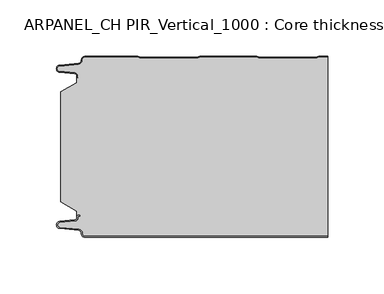
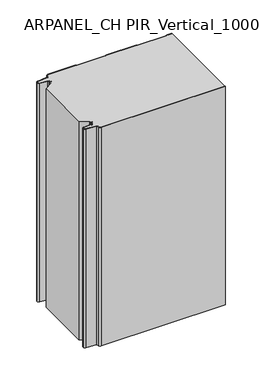
"""IFC4 building model written with IfcOpenShell, lengths in millimetres: plate geometry, ARPANEL_CH PIR_Vertical_1000 : Core thickness - 160 mm."""

from ifc_helpers import new_model, si_unit, frame, origin, place, context, project, spatial, polyline, circle_curve, source, transform, mapped, element, save
from ifc_brep_helpers import plane_surface, cylinder_surface, revolved_surface, advanced_brep


def arpanel_ch_pir_vertical_1000_core_thickness_160_mm_c2608eca(model_context):
    return source(origin(), model_context, "Body", "AdvancedBrep", [
        advanced_brep(
        [(-94.8000003, -159.9996949, 0.0), (-97.9923632, -156.5787437, 0.0), (-100.2560431, -153.9171154, 0.0), (-117.2115315, -152.2546153, 0.0), (-119.9999998, -149.1776715, 0.0), (-117.2115315, -146.1007278, 0.0), (-103.6195785, -144.7680252, 0.0), (-101.9952277, -142.9766159, 0.0), (-101.9952277, -141.8996949, 0.0), (-100.5952277, -140.4996949, 0.0), (-99.4952277, -140.4996949, 0.0), (-99.4952277, -141.2996949, 0.0), (-100.5952277, -141.2996949, 0.0), (-101.1952277, -141.8996949, 0.0), (-101.1952277, -142.9766159, 0.0), (-103.5415122, -145.5642071, 0.0), (-117.1334652, -146.8969097, 0.0), (-119.1999997, -149.1776715, 0.0), (-117.1334652, -151.4584333, 0.0), (-100.1779767, -153.1209335, 0.0), (-97.2078761, -156.6330399, 0.0), (-94.8000003, -159.1996949, 0.0), (119.9999998, -159.2, 0.0), (119.9999998, -159.9996949, 0.0), (-94.8000003, -159.1996949, 400.0), (-97.1942724, -156.6339815, 400.0), (-100.1779767, -153.1209335, 400.0), (-117.1334652, -151.4584333, 400.0), (-119.1999997, -149.1776715, 400.0), (-117.1334652, -146.8969097, 400.0), (-103.5415122, -145.5642071, 400.0), (-101.1952277, -142.9766159, 400.0), (-101.1952277, -141.8996949, 400.0), (-100.5952277, -141.2996949, 400.0), (-99.4952277, -141.2996949, 400.0), (-99.4952277, -140.4996949, 400.0), (-100.5952277, -140.4996949, 400.0), (-101.9952277, -141.8996949, 400.0), (-101.9952277, -142.9766159, 400.0), (-103.6195785, -144.7680252, 400.0), (-117.2115315, -146.1007278, 400.0), (-119.9999998, -149.1776715, 400.0), (-117.2115315, -152.2546153, 400.0), (-100.2560431, -153.9171154, 400.0), (-98.0059668, -156.5778021, 400.0), (-94.8000003, -159.9996949, 400.0), (119.9999998, -159.9996949, 400.0), (119.9999998, -159.2, 400.0)],
        [
            (0, 1, circle_curve(frame((-94.8000003, -156.7996949, 0.0), z_axis=(0.0, 0.0, -1.0), x_axis=(1.0, 0.0, 0.0)), 3.2)),
            (1, 2, circle_curve(frame((-100.5000003, -156.4051839, 0.0), z_axis=(0.0, 0.0, 1.0), x_axis=(1.0, 0.0, 0.0)), 2.5)),
            (2, 3),
            (3, 4, circle_curve(frame((-116.9100003, -149.1793626, 0.0), z_axis=(0.0, 0.0, -1.0), x_axis=(1.0, 0.0, 0.0)), 3.09)),
            (4, 5, circle_curve(frame((-116.9100003, -149.1759805, 0.0), z_axis=(0.0, 0.0, -1.0), x_axis=(1.0, 0.0, 0.0)), 3.09)),
            (5, 6),
            (6, 7, circle_curve(frame((-103.7952277, -142.9766159, 0.0), z_axis=(0.0, 0.0, 1.0), x_axis=(1.0, 0.0, 0.0)), 1.8)),
            (7, 8),
            (8, 9, circle_curve(frame((-100.5952277, -141.8996949, 0.0), z_axis=(0.0, 0.0, -1.0), x_axis=(1.0, 0.0, 0.0)), 1.4)),
            (9, 10),
            (10, 11),
            (11, 12),
            (12, 13, circle_curve(frame((-100.5952277, -141.8996949, 0.0), z_axis=(0.0, 0.0, 1.0), x_axis=(1.0, 0.0, 0.0)), 0.6)),
            (13, 14),
            (14, 15, circle_curve(frame((-103.7952277, -142.9766159, 0.0), z_axis=(0.0, 0.0, -1.0), x_axis=(1.0, 0.0, 0.0)), 2.6)),
            (15, 16),
            (16, 17, circle_curve(frame((-116.9100003, -149.1759805, 0.0), z_axis=(0.0, 0.0, 1.0), x_axis=(1.0, 0.0, 0.0)), 2.29)),
            (17, 18, circle_curve(frame((-116.9100003, -149.1793626, 0.0), z_axis=(0.0, 0.0, 1.0), x_axis=(1.0, 0.0, 0.0)), 2.29)),
            (18, 19),
            (19, 20, circle_curve(frame((-100.5000003, -156.4051839, 0.0), z_axis=(0.0, 0.0, -1.0), x_axis=(1.0, 0.0, 0.0)), 3.3)),
            (20, 21, circle_curve(frame((-94.8000003, -156.7996949, 0.0), z_axis=(0.0, 0.0, 1.0), x_axis=(1.0, 0.0, 0.0)), 2.4)),
            (21, 22),
            (22, 23),
            (23, 0),
            (24, 25, circle_curve(frame((-94.8000003, -156.7996949, 400.0), z_axis=(0.0, 0.0, -1.0), x_axis=(1.0, 0.0, 0.0)), 2.4)),
            (25, 26, circle_curve(frame((-100.5000003, -156.4051839, 400.0), z_axis=(0.0, 0.0, 1.0), x_axis=(1.0, 0.0, 0.0)), 3.3)),
            (26, 27),
            (27, 28, circle_curve(frame((-116.9100003, -149.1793626, 400.0), z_axis=(0.0, 0.0, -1.0), x_axis=(1.0, 0.0, 0.0)), 2.29)),
            (28, 29, circle_curve(frame((-116.9100003, -149.1759805, 400.0), z_axis=(0.0, 0.0, -1.0), x_axis=(1.0, 0.0, 0.0)), 2.29)),
            (29, 30),
            (30, 31, circle_curve(frame((-103.7952277, -142.9766159, 400.0), z_axis=(0.0, 0.0, 1.0), x_axis=(1.0, 0.0, 0.0)), 2.6)),
            (31, 32),
            (32, 33, circle_curve(frame((-100.5952277, -141.8996949, 400.0), z_axis=(0.0, 0.0, -1.0), x_axis=(1.0, 0.0, 0.0)), 0.6)),
            (33, 34),
            (34, 35),
            (35, 36),
            (36, 37, circle_curve(frame((-100.5952277, -141.8996949, 400.0), z_axis=(0.0, 0.0, 1.0), x_axis=(1.0, 0.0, 0.0)), 1.4)),
            (37, 38),
            (38, 39, circle_curve(frame((-103.7952277, -142.9766159, 400.0), z_axis=(0.0, 0.0, -1.0), x_axis=(1.0, 0.0, 0.0)), 1.8)),
            (39, 40),
            (40, 41, circle_curve(frame((-116.9100003, -149.1759805, 400.0), z_axis=(0.0, 0.0, 1.0), x_axis=(1.0, 0.0, 0.0)), 3.09)),
            (41, 42, circle_curve(frame((-116.9100003, -149.1793626, 400.0), z_axis=(0.0, 0.0, 1.0), x_axis=(1.0, 0.0, 0.0)), 3.09)),
            (42, 43),
            (43, 44, circle_curve(frame((-100.5000003, -156.4051839, 400.0), z_axis=(0.0, 0.0, -1.0), x_axis=(1.0, 0.0, 0.0)), 2.5)),
            (44, 45, circle_curve(frame((-94.8000003, -156.7996949, 400.0), z_axis=(0.0, 0.0, 1.0), x_axis=(1.0, 0.0, 0.0)), 3.2)),
            (45, 46),
            (46, 47),
            (47, 24),
            (21, 24),
            (47, 22),
            (20, 25),
            (19, 26),
            (18, 27),
            (17, 28),
            (16, 29),
            (15, 30),
            (14, 31),
            (13, 32),
            (12, 33),
            (11, 34),
            (10, 35),
            (9, 36),
            (8, 37),
            (7, 38),
            (6, 39),
            (5, 40),
            (4, 41),
            (3, 42),
            (2, 43),
            (1, 44),
            (0, 45),
            (23, 46),
        ],
        [
            plane_surface(frame((-119.9999998, -160.0, 0.0), z_axis=(0.0, 0.0, -1.0), x_axis=(0.0, 1.0, 0.0))),
            plane_surface(frame((-119.9999998, -160.0, 400.0), z_axis=(0.0, 0.0, 1.0), x_axis=(0.0, 1.0, 0.0))),
            plane_surface(frame((-94.8000003, -159.2, 0.0), z_axis=(0.0, 1.0, 0.0), x_axis=(0.0, 0.0, 1.0))),
            revolved_surface(polyline([(-92.40000029999999, -156.7996949, 400.0), (-92.40000029999999, -156.7996949, 0.0)]), (-94.8000003, -156.7996949, 0.0), (0.0, 0.0, 1.0)),
            cylinder_surface(frame((-100.5000003, -156.4051839, 0.0), z_axis=(0.0, 0.0, -1.0), x_axis=(1.0, 0.0, 0.0)), 3.3),
            plane_surface(frame((-117.1334652, -151.4584333, 0.0), z_axis=(0.09758289975914758, 0.9952273999818314, 0.0), x_axis=(0.0, 0.0, 1.0))),
            revolved_surface(polyline([(-114.62000029999999, -149.1793626, 400.0), (-114.62000029999999, -149.1793626, 0.0)]), (-116.9100003, -149.1793626, 0.0), (0.0, 0.0, 1.0)),
            revolved_surface(polyline([(-114.62000029999999, -149.1759805, 400.0), (-114.62000029999999, -149.1759805, 0.0)]), (-116.9100003, -149.1759805, 0.0), (0.0, 0.0, 1.0)),
            plane_surface(frame((-103.5415122, -145.5642071, 0.0), z_axis=(0.09758289975914383, -0.9952273999818317, 0.0), x_axis=(0.0, 0.0, 1.0))),
            cylinder_surface(frame((-103.7952277, -142.9766159, 0.0), z_axis=(0.0, 0.0, -1.0), x_axis=(1.0, 0.0, 0.0)), 2.6),
            plane_surface(frame((-101.1952277, -141.8996949, 0.0), z_axis=(1.0, 0.0, 0.0), x_axis=(0.0, 0.0, 1.0))),
            revolved_surface(polyline([(-99.9952277, -141.8996949, 400.0), (-99.9952277, -141.8996949, 0.0)]), (-100.5952277, -141.8996949, 0.0), (0.0, 0.0, 1.0)),
            plane_surface(frame((-99.4952277, -141.2996949, 0.0), z_axis=(0.0, -1.0, 0.0), x_axis=(0.0, 0.0, 1.0))),
            plane_surface(frame((-99.4952277, -140.4996949, 0.0), z_axis=(1.0, 0.0, 0.0), x_axis=(0.0, 0.0, 1.0))),
            plane_surface(frame((-100.5952277, -140.4996949, 0.0), z_axis=(0.0, 1.0, 0.0), x_axis=(0.0, 0.0, 1.0))),
            cylinder_surface(frame((-100.5952277, -141.8996949, 0.0), z_axis=(0.0, 0.0, -1.0), x_axis=(1.0, 0.0, 0.0)), 1.4),
            plane_surface(frame((-101.9952277, -142.9766159, 0.0), z_axis=(-1.0, 0.0, 0.0), x_axis=(0.0, 0.0, 1.0))),
            revolved_surface(polyline([(-101.9952277, -142.9766159, 400.0), (-101.9952277, -142.9766159, 0.0)]), (-103.7952277, -142.9766159, 0.0), (0.0, 0.0, 1.0)),
            plane_surface(frame((-117.2115315, -146.1007278, 0.0), z_axis=(-0.09758289975914387, 0.9952273999818317, 0.0), x_axis=(0.0, 0.0, 1.0))),
            cylinder_surface(frame((-116.9100003, -149.1759805, 0.0), z_axis=(0.0, 0.0, -1.0), x_axis=(1.0, 0.0, 0.0)), 3.09),
            cylinder_surface(frame((-116.9100003, -149.1793626, 0.0), z_axis=(0.0, 0.0, -1.0), x_axis=(1.0, 0.0, 0.0)), 3.09),
            plane_surface(frame((-100.2560431, -153.9171154, 0.0), z_axis=(-0.09758289975914762, -0.9952273999818314, 0.0), x_axis=(0.0, 0.0, 1.0))),
            revolved_surface(polyline([(-98.0000003, -156.4051839, 400.0), (-98.0000003, -156.4051839, 0.0)]), (-100.5000003, -156.4051839, 0.0), (0.0, 0.0, 1.0)),
            cylinder_surface(frame((-94.8000003, -156.7996949, 0.0), z_axis=(0.0, 0.0, -1.0), x_axis=(1.0, 0.0, 0.0)), 3.2),
            plane_surface(frame((896.009932, -159.9996949, 0.0), z_axis=(0.0, -1.0, 0.0), x_axis=(0.0, 0.0, 1.0))),
            plane_surface(frame((119.9999998, 180.0, 400.0), z_axis=(1.0, 0.0, 0.0), x_axis=(0.0, 0.0, -1.0))),
        ],
        [
            (0, [[1, 2, 3, 4, 5, 6, 7, 8, 9, 10, 11, 12, 13, 14, 15, 16, 17, 18, 19, 20, 21, 22, 23, 24]]),
            (1, [[25, 26, 27, 28, 29, 30, 31, 32, 33, 34, 35, 36, 37, 38, 39, 40, 41, 42, 43, 44, 45, 46, 47, 48]]),
            (2, [[49, -48, 50, -22]]),
            (3, [[-21, 51, -25, -49]]),
            (4, [[-20, 52, -26, -51]]),
            (5, [[-19, 53, -27, -52]]),
            (6, [[-18, 54, -28, -53]]),
            (7, [[-17, 55, -29, -54]]),
            (8, [[-16, 56, -30, -55]]),
            (9, [[-15, 57, -31, -56]]),
            (10, [[-14, 58, -32, -57]]),
            (11, [[-13, 59, -33, -58]]),
            (12, [[-12, 60, -34, -59]]),
            (13, [[-11, 61, -35, -60]]),
            (14, [[-10, 62, -36, -61]]),
            (15, [[-9, 63, -37, -62]]),
            (16, [[-8, 64, -38, -63]]),
            (17, [[-7, 65, -39, -64]]),
            (18, [[-6, 66, -40, -65]]),
            (19, [[-5, 67, -41, -66]]),
            (20, [[-4, 68, -42, -67]]),
            (21, [[-3, 69, -43, -68]]),
            (22, [[-2, 70, -44, -69]]),
            (23, [[-1, 71, -45, -70]]),
            (24, [[-71, -24, 72, -46]]),
            (25, [[-23, -50, -47, -72]]),
        ],
    ),
        advanced_brep(
        [(-101.9952277, -23.1062917, 400.0), (-116.0446509, -31.1628062, 400.0), (-116.0446509, -128.7531937, 400.0), (-101.9952277, -136.8937083, 400.0), (-101.9952277, -140.4996949, 400.0), (-101.9952277, -141.8996949, 400.0), (-100.5952277, -140.4996949, 400.0), (-99.4952277, -140.4996949, 400.0), (-99.4952277, -141.2996949, 400.0), (-100.5952277, -141.2996949, 400.0), (-101.1952277, -141.8996949, 400.0), (-101.1952277, -142.9766159, 400.0), (-103.5415122, -145.5642071, 400.0), (-117.1334652, -146.8969097, 400.0), (-119.1999997, -149.1776715, 400.0), (-117.1334652, -151.4584333, 400.0), (-100.1779767, -153.1209335, 400.0), (-97.2078761, -156.6330399, 400.0), (-94.8000003, -159.1996949, 400.0), (119.9999998, -159.2, 400.0), (119.9999998, -0.8, 400.0), (112.3119565, -0.8, 400.0), (111.2605406, -1.0986697, 400.0), (109.8401597, -1.5003051, 400.0), (59.6803765, -1.5003051, 400.0), (58.2609651, -1.0971009, 400.0), (57.2085797, -0.8, 400.0), (7.0487965, -0.8, 400.0), (5.9973806, -1.0986697, 400.0), (4.5769997, -1.5003051, 400.0), (-45.5827835, -1.5003051, 400.0), (-47.0021949, -1.0971009, 400.0), (-48.0545803, -0.8, 400.0), (-94.8000003, -0.8, 400.0), (-97.1942724, -3.3660185, 400.0), (-100.1779767, -6.8790665, 400.0), (-117.1334652, -8.5415667, 400.0), (-119.1999997, -10.8223285, 400.0), (-117.1334652, -13.1030903, 400.0), (-103.5415122, -14.4357929, 400.0), (-101.1952277, -17.0233841, 400.0), (-101.1952277, -18.1003051, 400.0), (-100.5952277, -18.7003051, 400.0), (-99.4952277, -18.7003051, 400.0), (-99.4952277, -19.5003051, 400.0), (-100.5952277, -19.5003051, 400.0), (-101.9952277, -18.1003051, 400.0), (-101.9952277, -19.5003051, 400.0), (-101.9952277, -136.8937083, 0.0), (-116.0446509, -128.7531937, 0.0), (-116.0446509, -31.1628062, 0.0), (-101.9952277, -23.1062917, 0.0), (-101.9952277, -19.5003051, 0.0), (-101.9952277, -18.1003051, 0.0), (-100.5952277, -19.5003051, 0.0), (-99.4952277, -19.5003051, 0.0), (-99.4952277, -18.7003051, 0.0), (-100.5952277, -18.7003051, 0.0), (-101.1952277, -18.1003051, 0.0), (-101.1952277, -17.0233841, 0.0), (-103.5415122, -14.4357929, 0.0), (-117.1334652, -13.1030903, 0.0), (-119.1999997, -10.8223285, 0.0), (-117.1334652, -8.5415667, 0.0), (-100.1779767, -6.8790665, 0.0), (-97.2078761, -3.3669601, 0.0), (-94.8000003, -0.8003051, 0.0), (-48.0545803, -0.8, 0.0), (-47.0031645, -1.0986697, 0.0), (-45.5827835, -1.5003051, 0.0), (4.5769997, -1.5003051, 0.0), (5.9964111, -1.0971009, 0.0), (7.0487965, -0.8, 0.0), (57.2085797, -0.8, 0.0), (58.2599955, -1.0986697, 0.0), (59.6803765, -1.5003051, 0.0), (109.8401597, -1.5003051, 0.0), (111.2595711, -1.0971009, 0.0), (112.3119565, -0.8, 0.0), (119.9999998, -0.8, 0.0), (119.9999998, -159.2, 0.0), (-94.8000003, -159.2, 0.0), (-97.1942724, -156.6339815, 0.0), (-100.1779767, -153.1209335, 0.0), (-117.1334652, -151.4584333, 0.0), (-119.1999997, -149.1776715, 0.0), (-117.1334652, -146.8969097, 0.0), (-103.5415122, -145.5642071, 0.0), (-101.1952277, -142.9766159, 0.0), (-101.1952277, -141.8996949, 0.0), (-100.5952277, -141.2996949, 0.0), (-99.4952277, -141.2996949, 0.0), (-99.4952277, -140.4996949, 0.0), (-100.5952277, -140.4996949, 0.0), (-101.9952277, -141.8996949, 0.0), (-101.9952277, -140.4996949, 0.0)],
        [
            (0, 1),
            (1, 2),
            (2, 3),
            (3, 4),
            (4, 5),
            (5, 6, circle_curve(frame((-100.5952277, -141.8996949, 400.0), z_axis=(0.0, 0.0, -1.0), x_axis=(1.0, 0.0, 0.0)), 1.4)),
            (6, 7),
            (7, 8),
            (8, 9),
            (9, 10, circle_curve(frame((-100.5952277, -141.8996949, 400.0), z_axis=(0.0, 0.0, 1.0), x_axis=(1.0, 0.0, 0.0)), 0.6)),
            (10, 11),
            (11, 12, circle_curve(frame((-103.7952277, -142.9766159, 400.0), z_axis=(0.0, 0.0, -1.0), x_axis=(1.0, 0.0, 0.0)), 2.6)),
            (12, 13),
            (13, 14, circle_curve(frame((-116.9100003, -149.1759805, 400.0), z_axis=(0.0, 0.0, 1.0), x_axis=(1.0, 0.0, 0.0)), 2.29)),
            (14, 15, circle_curve(frame((-116.9100003, -149.1793626, 400.0), z_axis=(0.0, 0.0, 1.0), x_axis=(1.0, 0.0, 0.0)), 2.29)),
            (15, 16),
            (16, 17, circle_curve(frame((-100.5000003, -156.4051839, 400.0), z_axis=(0.0, 0.0, -1.0), x_axis=(1.0, 0.0, 0.0)), 3.3)),
            (17, 18, circle_curve(frame((-94.8000003, -156.7996949, 400.0), z_axis=(0.0, 0.0, 1.0), x_axis=(1.0, 0.0, 0.0)), 2.4)),
            (18, 19),
            (19, 20),
            (20, 21),
            (21, 22, circle_curve(frame((112.3119565, -2.8, 400.0), z_axis=(0.0, 0.0, 1.0), x_axis=(1.0, 0.0, 0.0)), 2.0)),
            (22, 23, circle_curve(frame((109.8401597, 1.1996949, 400.0), z_axis=(0.0, 0.0, -1.0), x_axis=(1.0, 0.0, 0.0)), 2.7)),
            (23, 24),
            (24, 25, circle_curve(frame((59.6803765, 1.1996949, 400.0), z_axis=(0.0, 0.0, -1.0), x_axis=(1.0, 0.0, 0.0)), 2.7)),
            (25, 26, circle_curve(frame((57.2085797, -2.8, 400.0), z_axis=(0.0, 0.0, 1.0), x_axis=(1.0, 0.0, 0.0)), 2.0)),
            (26, 27),
            (27, 28, circle_curve(frame((7.0487965, -2.8, 400.0), z_axis=(0.0, 0.0, 1.0), x_axis=(1.0, 0.0, 0.0)), 2.0)),
            (28, 29, circle_curve(frame((4.5769997, 1.1996949, 400.0), z_axis=(0.0, 0.0, -1.0), x_axis=(1.0, 0.0, 0.0)), 2.7)),
            (29, 30),
            (30, 31, circle_curve(frame((-45.5827835, 1.1996949, 400.0), z_axis=(0.0, 0.0, -1.0), x_axis=(1.0, 0.0, 0.0)), 2.7)),
            (31, 32, circle_curve(frame((-48.0545803, -2.8, 400.0), z_axis=(0.0, 0.0, 1.0), x_axis=(1.0, 0.0, 0.0)), 2.0)),
            (32, 33),
            (33, 34, circle_curve(frame((-94.8000003, -3.2003051, 400.0), z_axis=(0.0, 0.0, 1.0), x_axis=(1.0, 0.0, 0.0)), 2.4)),
            (34, 35, circle_curve(frame((-100.5000003, -3.5948161, 400.0), z_axis=(0.0, 0.0, -1.0), x_axis=(1.0, 0.0, 0.0)), 3.3)),
            (35, 36),
            (36, 37, circle_curve(frame((-116.9100003, -10.8206374, 400.0), z_axis=(0.0, 0.0, 1.0), x_axis=(1.0, 0.0, 0.0)), 2.29)),
            (37, 38, circle_curve(frame((-116.9100003, -10.8240195, 400.0), z_axis=(0.0, 0.0, 1.0), x_axis=(1.0, 0.0, 0.0)), 2.29)),
            (38, 39),
            (39, 40, circle_curve(frame((-103.7952277, -17.0233841, 400.0), z_axis=(0.0, 0.0, -1.0), x_axis=(1.0, 0.0, 0.0)), 2.6)),
            (40, 41),
            (41, 42, circle_curve(frame((-100.5952277, -18.1003051, 400.0), z_axis=(0.0, 0.0, 1.0), x_axis=(1.0, 0.0, 0.0)), 0.6)),
            (42, 43),
            (43, 44),
            (44, 45),
            (45, 46, circle_curve(frame((-100.5952277, -18.1003051, 400.0), z_axis=(0.0, 0.0, -1.0), x_axis=(1.0, 0.0, 0.0)), 1.4)),
            (46, 47),
            (47, 0),
            (48, 49),
            (49, 50),
            (50, 51),
            (51, 52),
            (52, 53),
            (53, 54, circle_curve(frame((-100.5952277, -18.1003051, 0.0), z_axis=(0.0, 0.0, 1.0), x_axis=(1.0, 0.0, 0.0)), 1.4)),
            (54, 55),
            (55, 56),
            (56, 57),
            (57, 58, circle_curve(frame((-100.5952277, -18.1003051, 0.0), z_axis=(0.0, 0.0, -1.0), x_axis=(1.0, 0.0, 0.0)), 0.6)),
            (58, 59),
            (59, 60, circle_curve(frame((-103.7952277, -17.0233841, 0.0), z_axis=(0.0, 0.0, 1.0), x_axis=(1.0, 0.0, 0.0)), 2.6)),
            (60, 61),
            (61, 62, circle_curve(frame((-116.9100003, -10.8240195, 0.0), z_axis=(0.0, 0.0, -1.0), x_axis=(1.0, 0.0, 0.0)), 2.29)),
            (62, 63, circle_curve(frame((-116.9100003, -10.8206374, 0.0), z_axis=(0.0, 0.0, -1.0), x_axis=(1.0, 0.0, 0.0)), 2.29)),
            (63, 64),
            (64, 65, circle_curve(frame((-100.5000003, -3.5948161, 0.0), z_axis=(0.0, 0.0, 1.0), x_axis=(1.0, 0.0, 0.0)), 3.3)),
            (65, 66, circle_curve(frame((-94.8000003, -3.2003051, 0.0), z_axis=(0.0, 0.0, -1.0), x_axis=(1.0, 0.0, 0.0)), 2.4)),
            (66, 67),
            (67, 68, circle_curve(frame((-48.0545803, -2.8, 0.0), z_axis=(0.0, 0.0, -1.0), x_axis=(1.0, 0.0, 0.0)), 2.0)),
            (68, 69, circle_curve(frame((-45.5827835, 1.1996949, 0.0), z_axis=(0.0, 0.0, 1.0), x_axis=(1.0, 0.0, 0.0)), 2.7)),
            (69, 70),
            (70, 71, circle_curve(frame((4.5769997, 1.1996949, 0.0), z_axis=(0.0, 0.0, 1.0), x_axis=(1.0, 0.0, 0.0)), 2.7)),
            (71, 72, circle_curve(frame((7.0487965, -2.8, 0.0), z_axis=(0.0, 0.0, -1.0), x_axis=(1.0, 0.0, 0.0)), 2.0)),
            (72, 73),
            (73, 74, circle_curve(frame((57.2085797, -2.8, 0.0), z_axis=(0.0, 0.0, -1.0), x_axis=(1.0, 0.0, 0.0)), 2.0)),
            (74, 75, circle_curve(frame((59.6803765, 1.1996949, 0.0), z_axis=(0.0, 0.0, 1.0), x_axis=(1.0, 0.0, 0.0)), 2.7)),
            (75, 76),
            (76, 77, circle_curve(frame((109.8401597, 1.1996949, 0.0), z_axis=(0.0, 0.0, 1.0), x_axis=(1.0, 0.0, 0.0)), 2.7)),
            (77, 78, circle_curve(frame((112.3119565, -2.8, 0.0), z_axis=(0.0, 0.0, -1.0), x_axis=(1.0, 0.0, 0.0)), 2.0)),
            (78, 79),
            (79, 80),
            (80, 81),
            (81, 82, circle_curve(frame((-94.8000003, -156.7996949, 0.0), z_axis=(0.0, 0.0, -1.0), x_axis=(1.0, 0.0, 0.0)), 2.4)),
            (82, 83, circle_curve(frame((-100.5000003, -156.4051839, 0.0), z_axis=(0.0, 0.0, 1.0), x_axis=(1.0, 0.0, 0.0)), 3.3)),
            (83, 84),
            (84, 85, circle_curve(frame((-116.9100003, -149.1793626, 0.0), z_axis=(0.0, 0.0, -1.0), x_axis=(1.0, 0.0, 0.0)), 2.29)),
            (85, 86, circle_curve(frame((-116.9100003, -149.1759805, 0.0), z_axis=(0.0, 0.0, -1.0), x_axis=(1.0, 0.0, 0.0)), 2.29)),
            (86, 87),
            (87, 88, circle_curve(frame((-103.7952277, -142.9766159, 0.0), z_axis=(0.0, 0.0, 1.0), x_axis=(1.0, 0.0, 0.0)), 2.6)),
            (88, 89),
            (89, 90, circle_curve(frame((-100.5952277, -141.8996949, 0.0), z_axis=(0.0, 0.0, -1.0), x_axis=(1.0, 0.0, 0.0)), 0.6)),
            (90, 91),
            (91, 92),
            (92, 93),
            (93, 94, circle_curve(frame((-100.5952277, -141.8996949, 0.0), z_axis=(0.0, 0.0, 1.0), x_axis=(1.0, 0.0, 0.0)), 1.4)),
            (94, 95),
            (95, 48),
            (51, 0),
            (46, 53),
            (1, 50),
            (49, 2),
            (48, 3),
            (94, 5),
            (18, 81),
            (80, 19),
            (17, 82),
            (16, 83),
            (15, 84),
            (14, 85),
            (13, 86),
            (12, 87),
            (11, 88),
            (10, 89),
            (9, 90),
            (8, 91),
            (7, 92),
            (6, 93),
            (66, 33),
            (32, 67),
            (31, 68),
            (30, 69),
            (29, 70),
            (28, 71),
            (27, 72),
            (26, 73),
            (25, 74),
            (24, 75),
            (23, 76),
            (22, 77),
            (21, 78),
            (20, 79),
            (45, 54),
            (44, 55),
            (43, 56),
            (42, 57),
            (41, 58),
            (40, 59),
            (39, 60),
            (38, 61),
            (37, 62),
            (36, 63),
            (35, 64),
            (34, 65),
        ],
        [
            plane_surface(frame((-119.9999998, 0.0, 400.0), z_axis=(0.0, 0.0, 1.0), x_axis=(0.0, -1.0, 0.0))),
            plane_surface(frame((-119.9999998, 0.0, 0.0), z_axis=(0.0, 0.0, -1.0), x_axis=(0.0, -1.0, 0.0))),
            plane_surface(frame((-101.9952277, -17.0229218, 400.0), z_axis=(-1.0, 0.0, 0.0), x_axis=(0.0, 0.0, -1.0))),
            plane_surface(frame((-116.0446509, -31.1628062, 400.0), z_axis=(-1.0, 0.0, 0.0), x_axis=(0.0, 0.0, -1.0))),
            plane_surface(frame((-101.9952277, -23.1062917, 400.0), z_axis=(-0.4974543664933155, 0.8674901459133322, 0.0), x_axis=(0.0, 0.0, -1.0))),
            plane_surface(frame((-116.0446509, -128.7531937, 400.0), z_axis=(-0.5013424225369615, -0.8652489672717159, 0.0), x_axis=(0.0, 0.0, -1.0))),
            plane_surface(frame((-101.9952277, -136.8937083, 400.0), z_axis=(-1.0, 0.0, 0.0), x_axis=(0.0, 0.0, -1.0))),
            plane_surface(frame((896.009932, -159.2, 530.0), z_axis=(0.0, -1.0, 0.0), x_axis=(0.0, 0.0, -1.0))),
            cylinder_surface(frame((-94.8000003, -156.7996949, 530.0), z_axis=(0.0, 0.0, -1.0), x_axis=(1.0, 0.0, 0.0)), 2.4),
            revolved_surface(polyline([(-97.2000003, -156.4051839, 400.0), (-97.2000003, -156.4051839, 0.0)]), (-100.5000003, -156.4051839, 530.0), (0.0, 0.0, 1.0)),
            plane_surface(frame((-100.1779767, -153.1209335, 530.0), z_axis=(-0.09758289975914758, -0.9952273999818314, 0.0), x_axis=(0.0, 0.0, -1.0))),
            cylinder_surface(frame((-116.9100003, -149.1793626, 530.0), z_axis=(0.0, 0.0, -1.0), x_axis=(1.0, 0.0, 0.0)), 2.29),
            cylinder_surface(frame((-116.9100003, -149.1759805, 530.0), z_axis=(0.0, 0.0, -1.0), x_axis=(1.0, 0.0, 0.0)), 2.29),
            plane_surface(frame((-117.1334652, -146.8969097, 530.0), z_axis=(-0.09758289975914383, 0.9952273999818317, 0.0), x_axis=(0.0, 0.0, -1.0))),
            revolved_surface(polyline([(-101.1952277, -142.9766159, 400.0), (-101.1952277, -142.9766159, 0.0)]), (-103.7952277, -142.9766159, 530.0), (0.0, 0.0, 1.0)),
            plane_surface(frame((-101.1952277, -142.9766159, 530.0), z_axis=(-1.0, 0.0, 0.0), x_axis=(0.0, 0.0, -1.0))),
            cylinder_surface(frame((-100.5952277, -141.8996949, 530.0), z_axis=(0.0, 0.0, -1.0), x_axis=(1.0, 0.0, 0.0)), 0.6),
            plane_surface(frame((-100.5952277, -141.2996949, 530.0), z_axis=(0.0, 1.0, 0.0), x_axis=(0.0, 0.0, -1.0))),
            plane_surface(frame((-99.4952277, -141.2996949, 530.0), z_axis=(-1.0, 0.0, 0.0), x_axis=(0.0, 0.0, -1.0))),
            plane_surface(frame((-99.4952277, -140.4996949, 530.0), z_axis=(0.0, -1.0, 0.0), x_axis=(0.0, 0.0, -1.0))),
            revolved_surface(polyline([(-99.19522769999999, -141.8996949, 400.0), (-99.19522769999999, -141.8996949, 0.0)]), (-100.5952277, -141.8996949, 530.0), (0.0, 0.0, 1.0)),
            plane_surface(frame((-94.8000003, -0.8, 530.0), z_axis=(0.0, 1.0, 0.0), x_axis=(0.0, 0.0, -1.0))),
            cylinder_surface(frame((-48.0545803, -2.8, 530.0), z_axis=(0.0, 0.0, -1.0), x_axis=(1.0, 0.0, 0.0)), 2.0),
            revolved_surface(polyline([(-42.882783499999995, 1.1996949, 400.0), (-42.882783499999995, 1.1996949, 0.0)]), (-45.5827835, 1.1996949, 530.0), (0.0, 0.0, 1.0)),
            plane_surface(frame((-45.5827835, -1.5003051, 530.0), z_axis=(0.0, 1.0, 0.0), x_axis=(0.0, 0.0, -1.0))),
            revolved_surface(polyline([(7.2769997, 1.1996949, 400.0), (7.2769997, 1.1996949, 0.0)]), (4.5769997, 1.1996949, 530.0), (0.0, 0.0, 1.0)),
            cylinder_surface(frame((7.0487965, -2.8, 530.0), z_axis=(0.0, 0.0, -1.0), x_axis=(1.0, 0.0, 0.0)), 2.0),
            plane_surface(frame((7.0487965, -0.8, 530.0), z_axis=(0.0, 1.0, 0.0), x_axis=(0.0, 0.0, -1.0))),
            cylinder_surface(frame((57.2085797, -2.8, 530.0), z_axis=(0.0, 0.0, -1.0), x_axis=(1.0, 0.0, 0.0)), 2.0),
            revolved_surface(polyline([(62.380376500000004, 1.1996949, 400.0), (62.380376500000004, 1.1996949, 0.0)]), (59.6803765, 1.1996949, 530.0), (0.0, 0.0, 1.0)),
            plane_surface(frame((59.6803765, -1.5003051, 530.0), z_axis=(0.0, 1.0, 0.0), x_axis=(0.0, 0.0, -1.0))),
            revolved_surface(polyline([(112.5401597, 1.1996949, 400.0), (112.5401597, 1.1996949, 0.0)]), (109.8401597, 1.1996949, 530.0), (0.0, 0.0, 1.0)),
            cylinder_surface(frame((112.3119565, -2.8, 530.0), z_axis=(0.0, 0.0, -1.0), x_axis=(1.0, 0.0, 0.0)), 2.0),
            plane_surface(frame((112.3119565, -0.8, 530.0), z_axis=(0.0, 1.0, 0.0), x_axis=(0.0, 0.0, -1.0))),
            revolved_surface(polyline([(-99.19522769999999, -18.1003051, 400.0), (-99.19522769999999, -18.1003051, 0.0)]), (-100.5952277, -18.1003051, 530.0), (0.0, 0.0, 1.0)),
            plane_surface(frame((-100.5952277, -19.5003051, 530.0), z_axis=(0.0, 1.0, 0.0), x_axis=(0.0, 0.0, -1.0))),
            plane_surface(frame((-99.4952277, -19.5003051, 530.0), z_axis=(-1.0, 0.0, 0.0), x_axis=(0.0, 0.0, -1.0))),
            plane_surface(frame((-99.4952277, -18.7003051, 530.0), z_axis=(0.0, -1.0, 0.0), x_axis=(0.0, 0.0, -1.0))),
            cylinder_surface(frame((-100.5952277, -18.1003051, 530.0), z_axis=(0.0, 0.0, -1.0), x_axis=(1.0, 0.0, 0.0)), 0.6),
            plane_surface(frame((-101.1952277, -18.1003051, 530.0), z_axis=(-1.0, 0.0, 0.0), x_axis=(0.0, 0.0, -1.0))),
            revolved_surface(polyline([(-101.1952277, -17.0233841, 400.0), (-101.1952277, -17.0233841, 0.0)]), (-103.7952277, -17.0233841, 530.0), (0.0, 0.0, 1.0)),
            plane_surface(frame((-103.5415122, -14.4357929, 530.0), z_axis=(-0.09758289975914705, -0.9952273999818314, 0.0), x_axis=(0.0, 0.0, -1.0))),
            cylinder_surface(frame((-116.9100003, -10.8240195, 530.0), z_axis=(0.0, 0.0, -1.0), x_axis=(1.0, 0.0, 0.0)), 2.29),
            cylinder_surface(frame((-116.9100003, -10.8206374, 530.0), z_axis=(0.0, 0.0, -1.0), x_axis=(1.0, 0.0, 0.0)), 2.29),
            plane_surface(frame((-117.1334652, -8.5415667, 530.0), z_axis=(-0.09758289975914436, 0.9952273999818317, 0.0), x_axis=(0.0, 0.0, -1.0))),
            revolved_surface(polyline([(-97.2000003, -3.5948161, 400.0), (-97.2000003, -3.5948161, 0.0)]), (-100.5000003, -3.5948161, 530.0), (0.0, 0.0, 1.0)),
            cylinder_surface(frame((-94.8000003, -3.2003051, 530.0), z_axis=(0.0, 0.0, -1.0), x_axis=(1.0, 0.0, 0.0)), 2.4),
            plane_surface(frame((119.9999998, 180.0, 400.0), z_axis=(1.0, 0.0, 0.0), x_axis=(0.0, 0.0, -1.0))),
        ],
        [
            (0, [[1, 2, 3, 4, 5, 6, 7, 8, 9, 10, 11, 12, 13, 14, 15, 16, 17, 18, 19, 20, 21, 22, 23, 24, 25, 26, 27, 28, 29, 30, 31, 32, 33, 34, 35, 36, 37, 38, 39, 40, 41, 42, 43, 44, 45, 46, 47, 48]]),
            (1, [[49, 50, 51, 52, 53, 54, 55, 56, 57, 58, 59, 60, 61, 62, 63, 64, 65, 66, 67, 68, 69, 70, 71, 72, 73, 74, 75, 76, 77, 78, 79, 80, 81, 82, 83, 84, 85, 86, 87, 88, 89, 90, 91, 92, 93, 94, 95, 96]]),
            (2, [[97, -48, -47, 98, -53, -52]]),
            (3, [[-2, 99, -50, 100]]),
            (4, [[-1, -97, -51, -99]]),
            (5, [[-3, -100, -49, 101]]),
            (6, [[-101, -96, -95, 102, -5, -4]]),
            (7, [[103, -81, 104, -19]]),
            (8, [[-103, -18, 105, -82]]),
            (9, [[-105, -17, 106, -83]]),
            (10, [[-106, -16, 107, -84]]),
            (11, [[-107, -15, 108, -85]]),
            (12, [[-108, -14, 109, -86]]),
            (13, [[-109, -13, 110, -87]]),
            (14, [[-110, -12, 111, -88]]),
            (15, [[-111, -11, 112, -89]]),
            (16, [[-112, -10, 113, -90]]),
            (17, [[-113, -9, 114, -91]]),
            (18, [[-114, -8, 115, -92]]),
            (19, [[-115, -7, 116, -93]]),
            (20, [[-116, -6, -102, -94]]),
            (21, [[117, -33, 118, -67]]),
            (22, [[-118, -32, 119, -68]]),
            (23, [[-119, -31, 120, -69]]),
            (24, [[-120, -30, 121, -70]]),
            (25, [[-121, -29, 122, -71]]),
            (26, [[-122, -28, 123, -72]]),
            (27, [[-123, -27, 124, -73]]),
            (28, [[-124, -26, 125, -74]]),
            (29, [[-125, -25, 126, -75]]),
            (30, [[-126, -24, 127, -76]]),
            (31, [[-127, -23, 128, -77]]),
            (32, [[-128, -22, 129, -78]]),
            (33, [[-129, -21, 130, -79]]),
            (34, [[131, -54, -98, -46]]),
            (35, [[-131, -45, 132, -55]]),
            (36, [[-132, -44, 133, -56]]),
            (37, [[-133, -43, 134, -57]]),
            (38, [[-134, -42, 135, -58]]),
            (39, [[-135, -41, 136, -59]]),
            (40, [[-136, -40, 137, -60]]),
            (41, [[-137, -39, 138, -61]]),
            (42, [[-138, -38, 139, -62]]),
            (43, [[-139, -37, 140, -63]]),
            (44, [[-140, -36, 141, -64]]),
            (45, [[-141, -35, 142, -65]]),
            (46, [[-117, -66, -142, -34]]),
            (47, [[-104, -80, -130, -20]]),
        ],
    ),
        advanced_brep(
        [(-47.0031645, -1.0986697, 0.0), (-48.0545803, -0.8, 0.0), (-94.8000003, -0.8, 0.0), (-97.1942724, -3.3660185, 0.0), (-100.1779767, -6.8790665, 0.0), (-117.1334652, -8.5415667, 0.0), (-119.1999997, -10.8223285, 0.0), (-117.1334652, -13.1030903, 0.0), (-103.5415122, -14.4357929, 0.0), (-101.1952277, -17.0233841, 0.0), (-101.1952277, -18.1003051, 0.0), (-100.5952277, -18.7003051, 0.0), (-99.4952277, -18.7003051, 0.0), (-99.4952277, -19.5003051, 0.0), (-100.5952277, -19.5003051, 0.0), (-101.9952277, -18.1003051, 0.0), (-101.9952277, -17.0233841, 0.0), (-103.6195785, -15.2319748, 0.0), (-117.2115315, -13.8992722, 0.0), (-119.9999998, -10.8223285, 0.0), (-117.2115315, -7.7453847, 0.0), (-100.2560431, -6.0828846, 0.0), (-98.0059668, -3.4221979, 0.0), (-94.8000003, -0.0003051, 0.0), (-48.0545803, -0.0003051, 0.0), (-46.6352472, -0.4034608, 0.0), (-45.5827835, -0.7003051, 0.0), (4.5769997, -0.7003051, 0.0), (5.6283575, -0.4016712, 0.0), (7.0487965, -0.0003051, 0.0), (57.2085797, -0.0003051, 0.0), (58.6279128, -0.4034608, 0.0), (59.6803765, -0.7003051, 0.0), (109.8401597, -0.7003051, 0.0), (110.8915175, -0.4016712, 0.0), (112.3119565, -0.0003051, 0.0), (119.9999998, -0.0003051, 0.0), (119.9999998, -0.8, 0.0), (112.3119565, -0.8, 0.0), (111.2605406, -1.0986697, 0.0), (109.8401597, -1.5003051, 0.0), (59.6803765, -1.5003051, 0.0), (58.2609651, -1.0971009, 0.0), (57.2085797, -0.8, 0.0), (7.0487965, -0.8, 0.0), (5.9973806, -1.0986697, 0.0), (4.5769997, -1.5003051, 0.0), (-45.5827835, -1.5003051, 0.0), (-47.0021949, -1.0971009, 400.0), (-45.5827835, -1.5003051, 400.0), (4.5769997, -1.5003051, 400.0), (5.9964111, -1.0971009, 400.0), (7.0487965, -0.8, 400.0), (57.2085797, -0.8, 400.0), (58.2599955, -1.0986697, 400.0), (59.6803765, -1.5003051, 400.0), (109.8401597, -1.5003051, 400.0), (111.2595711, -1.0971009, 400.0), (112.3119565, -0.8, 400.0), (119.9999998, -0.8, 400.0), (119.9999998, -0.0003051, 400.0), (112.3119565, -0.0003051, 400.0), (110.8926234, -0.4034608, 400.0), (109.8401597, -0.7003051, 400.0), (59.6803765, -0.7003051, 400.0), (58.6290186, -0.4016712, 400.0), (57.2085797, -0.0003051, 400.0), (7.0487965, -0.0003051, 400.0), (5.6294634, -0.4034608, 400.0), (4.5769997, -0.7003051, 400.0), (-45.5827835, -0.7003051, 400.0), (-46.6341414, -0.4016712, 400.0), (-48.0545803, -0.0003051, 400.0), (-94.8000003, -0.0003051, 400.0), (-97.9923632, -3.4212563, 400.0), (-100.2560431, -6.0828846, 400.0), (-117.2115315, -7.7453847, 400.0), (-119.9999998, -10.8223285, 400.0), (-117.2115315, -13.8992722, 400.0), (-103.6195785, -15.2319748, 400.0), (-101.9952277, -17.0233841, 400.0), (-101.9952277, -18.1003051, 400.0), (-100.5952277, -19.5003051, 400.0), (-99.4952277, -19.5003051, 400.0), (-99.4952277, -18.7003051, 400.0), (-100.5952277, -18.7003051, 400.0), (-101.1952277, -18.1003051, 400.0), (-101.1952277, -17.0233841, 400.0), (-103.5415122, -14.4357929, 400.0), (-117.1334652, -13.1030903, 400.0), (-119.1999997, -10.8223285, 400.0), (-117.1334652, -8.5415667, 400.0), (-100.1779767, -6.8790665, 400.0), (-97.2078761, -3.3669601, 400.0), (-94.8000003, -0.8003051, 400.0), (-48.0545803, -0.8, 400.0)],
        [
            (0, 1, circle_curve(frame((-48.0545803, -2.8, 0.0), z_axis=(0.0, 0.0, 1.0), x_axis=(1.0, 0.0, 0.0)), 2.0)),
            (1, 2),
            (2, 3, circle_curve(frame((-94.8000003, -3.2003051, 0.0), z_axis=(0.0, 0.0, 1.0), x_axis=(1.0, 0.0, 0.0)), 2.4)),
            (3, 4, circle_curve(frame((-100.5000003, -3.5948161, 0.0), z_axis=(0.0, 0.0, -1.0), x_axis=(1.0, 0.0, 0.0)), 3.3)),
            (4, 5),
            (5, 6, circle_curve(frame((-116.9100003, -10.8206374, 0.0), z_axis=(0.0, 0.0, 1.0), x_axis=(1.0, 0.0, 0.0)), 2.29)),
            (6, 7, circle_curve(frame((-116.9100003, -10.8240195, 0.0), z_axis=(0.0, 0.0, 1.0), x_axis=(1.0, 0.0, 0.0)), 2.29)),
            (7, 8),
            (8, 9, circle_curve(frame((-103.7952277, -17.0233841, 0.0), z_axis=(0.0, 0.0, -1.0), x_axis=(1.0, 0.0, 0.0)), 2.6)),
            (9, 10),
            (10, 11, circle_curve(frame((-100.5952277, -18.1003051, 0.0), z_axis=(0.0, 0.0, 1.0), x_axis=(1.0, 0.0, 0.0)), 0.6)),
            (11, 12),
            (12, 13),
            (13, 14),
            (14, 15, circle_curve(frame((-100.5952277, -18.1003051, 0.0), z_axis=(0.0, 0.0, -1.0), x_axis=(1.0, 0.0, 0.0)), 1.4)),
            (15, 16),
            (16, 17, circle_curve(frame((-103.7952277, -17.0233841, 0.0), z_axis=(0.0, 0.0, 1.0), x_axis=(1.0, 0.0, 0.0)), 1.8)),
            (17, 18),
            (18, 19, circle_curve(frame((-116.9100003, -10.8240195, 0.0), z_axis=(0.0, 0.0, -1.0), x_axis=(1.0, 0.0, 0.0)), 3.09)),
            (19, 20, circle_curve(frame((-116.9100003, -10.8206374, 0.0), z_axis=(0.0, 0.0, -1.0), x_axis=(1.0, 0.0, 0.0)), 3.09)),
            (20, 21),
            (21, 22, circle_curve(frame((-100.5000003, -3.5948161, 0.0), z_axis=(0.0, 0.0, 1.0), x_axis=(1.0, 0.0, 0.0)), 2.5)),
            (22, 23, circle_curve(frame((-94.8000003, -3.2003051, 0.0), z_axis=(0.0, 0.0, -1.0), x_axis=(1.0, 0.0, 0.0)), 3.2)),
            (23, 24),
            (24, 25, circle_curve(frame((-48.0545803, -2.7003051, 0.0), z_axis=(0.0, 0.0, -1.0), x_axis=(1.0, 0.0, 0.0)), 2.7)),
            (25, 26, circle_curve(frame((-45.5827835, 1.2996949, 0.0), z_axis=(0.0, 0.0, 1.0), x_axis=(1.0, 0.0, 0.0)), 2.0)),
            (26, 27),
            (27, 28, circle_curve(frame((4.5769997, 1.2996949, 0.0), z_axis=(0.0, 0.0, 1.0), x_axis=(1.0, 0.0, 0.0)), 2.0)),
            (28, 29, circle_curve(frame((7.0487965, -2.7003051, 0.0), z_axis=(0.0, 0.0, -1.0), x_axis=(1.0, 0.0, 0.0)), 2.7)),
            (29, 30),
            (30, 31, circle_curve(frame((57.2085797, -2.7003051, 0.0), z_axis=(0.0, 0.0, -1.0), x_axis=(1.0, 0.0, 0.0)), 2.7)),
            (31, 32, circle_curve(frame((59.6803765, 1.2996949, 0.0), z_axis=(0.0, 0.0, 1.0), x_axis=(1.0, 0.0, 0.0)), 2.0)),
            (32, 33),
            (33, 34, circle_curve(frame((109.8401597, 1.2996949, 0.0), z_axis=(0.0, 0.0, 1.0), x_axis=(1.0, 0.0, 0.0)), 2.0)),
            (34, 35, circle_curve(frame((112.3119565, -2.7003051, 0.0), z_axis=(0.0, 0.0, -1.0), x_axis=(1.0, 0.0, 0.0)), 2.7)),
            (35, 36),
            (36, 37),
            (37, 38),
            (38, 39, circle_curve(frame((112.3119565, -2.8, 0.0), z_axis=(0.0, 0.0, 1.0), x_axis=(1.0, 0.0, 0.0)), 2.0)),
            (39, 40, circle_curve(frame((109.8401597, 1.1996949, 0.0), z_axis=(0.0, 0.0, -1.0), x_axis=(1.0, 0.0, 0.0)), 2.7)),
            (40, 41),
            (41, 42, circle_curve(frame((59.6803765, 1.1996949, 0.0), z_axis=(0.0, 0.0, -1.0), x_axis=(1.0, 0.0, 0.0)), 2.7)),
            (42, 43, circle_curve(frame((57.2085797, -2.8, 0.0), z_axis=(0.0, 0.0, 1.0), x_axis=(1.0, 0.0, 0.0)), 2.0)),
            (43, 44),
            (44, 45, circle_curve(frame((7.0487965, -2.8, 0.0), z_axis=(0.0, 0.0, 1.0), x_axis=(1.0, 0.0, 0.0)), 2.0)),
            (45, 46, circle_curve(frame((4.5769997, 1.1996949, 0.0), z_axis=(0.0, 0.0, -1.0), x_axis=(1.0, 0.0, 0.0)), 2.7)),
            (46, 47),
            (47, 0, circle_curve(frame((-45.5827835, 1.1996949, 0.0), z_axis=(0.0, 0.0, -1.0), x_axis=(1.0, 0.0, 0.0)), 2.7)),
            (48, 49, circle_curve(frame((-45.5827835, 1.1996949, 400.0), z_axis=(0.0, 0.0, 1.0), x_axis=(1.0, 0.0, 0.0)), 2.7)),
            (49, 50),
            (50, 51, circle_curve(frame((4.5769997, 1.1996949, 400.0), z_axis=(0.0, 0.0, 1.0), x_axis=(1.0, 0.0, 0.0)), 2.7)),
            (51, 52, circle_curve(frame((7.0487965, -2.8, 400.0), z_axis=(0.0, 0.0, -1.0), x_axis=(1.0, 0.0, 0.0)), 2.0)),
            (52, 53),
            (53, 54, circle_curve(frame((57.2085797, -2.8, 400.0), z_axis=(0.0, 0.0, -1.0), x_axis=(1.0, 0.0, 0.0)), 2.0)),
            (54, 55, circle_curve(frame((59.6803765, 1.1996949, 400.0), z_axis=(0.0, 0.0, 1.0), x_axis=(1.0, 0.0, 0.0)), 2.7)),
            (55, 56),
            (56, 57, circle_curve(frame((109.8401597, 1.1996949, 400.0), z_axis=(0.0, 0.0, 1.0), x_axis=(1.0, 0.0, 0.0)), 2.7)),
            (57, 58, circle_curve(frame((112.3119565, -2.8, 400.0), z_axis=(0.0, 0.0, -1.0), x_axis=(1.0, 0.0, 0.0)), 2.0)),
            (58, 59),
            (59, 60),
            (60, 61),
            (61, 62, circle_curve(frame((112.3119565, -2.7003051, 400.0), z_axis=(0.0, 0.0, 1.0), x_axis=(1.0, 0.0, 0.0)), 2.7)),
            (62, 63, circle_curve(frame((109.8401597, 1.2996949, 400.0), z_axis=(0.0, 0.0, -1.0), x_axis=(1.0, 0.0, 0.0)), 2.0)),
            (63, 64),
            (64, 65, circle_curve(frame((59.6803765, 1.2996949, 400.0), z_axis=(0.0, 0.0, -1.0), x_axis=(1.0, 0.0, 0.0)), 2.0)),
            (65, 66, circle_curve(frame((57.2085797, -2.7003051, 400.0), z_axis=(0.0, 0.0, 1.0), x_axis=(1.0, 0.0, 0.0)), 2.7)),
            (66, 67),
            (67, 68, circle_curve(frame((7.0487965, -2.7003051, 400.0), z_axis=(0.0, 0.0, 1.0), x_axis=(1.0, 0.0, 0.0)), 2.7)),
            (68, 69, circle_curve(frame((4.5769997, 1.2996949, 400.0), z_axis=(0.0, 0.0, -1.0), x_axis=(1.0, 0.0, 0.0)), 2.0)),
            (69, 70),
            (70, 71, circle_curve(frame((-45.5827835, 1.2996949, 400.0), z_axis=(0.0, 0.0, -1.0), x_axis=(1.0, 0.0, 0.0)), 2.0)),
            (71, 72, circle_curve(frame((-48.0545803, -2.7003051, 400.0), z_axis=(0.0, 0.0, 1.0), x_axis=(1.0, 0.0, 0.0)), 2.7)),
            (72, 73),
            (73, 74, circle_curve(frame((-94.8000003, -3.2003051, 400.0), z_axis=(0.0, 0.0, 1.0), x_axis=(1.0, 0.0, 0.0)), 3.2)),
            (74, 75, circle_curve(frame((-100.5000003, -3.5948161, 400.0), z_axis=(0.0, 0.0, -1.0), x_axis=(1.0, 0.0, 0.0)), 2.5)),
            (75, 76),
            (76, 77, circle_curve(frame((-116.9100003, -10.8206374, 400.0), z_axis=(0.0, 0.0, 1.0), x_axis=(1.0, 0.0, 0.0)), 3.09)),
            (77, 78, circle_curve(frame((-116.9100003, -10.8240195, 400.0), z_axis=(0.0, 0.0, 1.0), x_axis=(1.0, 0.0, 0.0)), 3.09)),
            (78, 79),
            (79, 80, circle_curve(frame((-103.7952277, -17.0233841, 400.0), z_axis=(0.0, 0.0, -1.0), x_axis=(1.0, 0.0, 0.0)), 1.8)),
            (80, 81),
            (81, 82, circle_curve(frame((-100.5952277, -18.1003051, 400.0), z_axis=(0.0, 0.0, 1.0), x_axis=(1.0, 0.0, 0.0)), 1.4)),
            (82, 83),
            (83, 84),
            (84, 85),
            (85, 86, circle_curve(frame((-100.5952277, -18.1003051, 400.0), z_axis=(0.0, 0.0, -1.0), x_axis=(1.0, 0.0, 0.0)), 0.6)),
            (86, 87),
            (87, 88, circle_curve(frame((-103.7952277, -17.0233841, 400.0), z_axis=(0.0, 0.0, 1.0), x_axis=(1.0, 0.0, 0.0)), 2.6)),
            (88, 89),
            (89, 90, circle_curve(frame((-116.9100003, -10.8240195, 400.0), z_axis=(0.0, 0.0, -1.0), x_axis=(1.0, 0.0, 0.0)), 2.29)),
            (90, 91, circle_curve(frame((-116.9100003, -10.8206374, 400.0), z_axis=(0.0, 0.0, -1.0), x_axis=(1.0, 0.0, 0.0)), 2.29)),
            (91, 92),
            (92, 93, circle_curve(frame((-100.5000003, -3.5948161, 400.0), z_axis=(0.0, 0.0, 1.0), x_axis=(1.0, 0.0, 0.0)), 3.3)),
            (93, 94, circle_curve(frame((-94.8000003, -3.2003051, 400.0), z_axis=(0.0, 0.0, -1.0), x_axis=(1.0, 0.0, 0.0)), 2.4)),
            (94, 95),
            (95, 48, circle_curve(frame((-48.0545803, -2.8, 400.0), z_axis=(0.0, 0.0, -1.0), x_axis=(1.0, 0.0, 0.0)), 2.0)),
            (0, 48),
            (95, 1),
            (94, 2),
            (93, 3),
            (92, 4),
            (91, 5),
            (90, 6),
            (89, 7),
            (88, 8),
            (87, 9),
            (86, 10),
            (85, 11),
            (84, 12),
            (83, 13),
            (82, 14),
            (81, 15),
            (80, 16),
            (79, 17),
            (78, 18),
            (77, 19),
            (76, 20),
            (75, 21),
            (74, 22),
            (73, 23),
            (72, 24),
            (71, 25),
            (70, 26),
            (69, 27),
            (68, 28),
            (67, 29),
            (66, 30),
            (65, 31),
            (64, 32),
            (63, 33),
            (62, 34),
            (61, 35),
            (60, 36),
            (58, 38),
            (37, 59),
            (57, 39),
            (56, 40),
            (55, 41),
            (54, 42),
            (53, 43),
            (52, 44),
            (51, 45),
            (50, 46),
            (49, 47),
        ],
        [
            plane_surface(frame((-119.9999998, 0.0, 0.0), z_axis=(0.0, 0.0, -1.0), x_axis=(0.0, -1.0, 0.0))),
            plane_surface(frame((-119.9999998, 0.0, 400.0), z_axis=(0.0, 0.0, 1.0), x_axis=(0.0, -1.0, 0.0))),
            revolved_surface(polyline([(-46.0545803, -2.8, 400.0), (-46.0545803, -2.8, 0.0)]), (-48.0545803, -2.8, 0.0), (0.0, 0.0, 1.0)),
            plane_surface(frame((-48.0545803, -0.8, 0.0), z_axis=(0.0, -1.0, 0.0), x_axis=(0.0, 0.0, 1.0))),
            revolved_surface(polyline([(-92.40000029999999, -3.2003051, 400.0), (-92.40000029999999, -3.2003051, 0.0)]), (-94.8000003, -3.2003051, 0.0), (0.0, 0.0, 1.0)),
            cylinder_surface(frame((-100.5000003, -3.5948161, 0.0), z_axis=(0.0, 0.0, -1.0), x_axis=(1.0, 0.0, 0.0)), 3.3),
            plane_surface(frame((-100.1779767, -6.8790665, 0.0), z_axis=(0.09758289975914113, -0.9952273999818321, 0.0), x_axis=(0.0, 0.0, 1.0))),
            revolved_surface(polyline([(-114.62000029999999, -10.8206374, 400.0), (-114.62000029999999, -10.8206374, 0.0)]), (-116.9100003, -10.8206374, 0.0), (0.0, 0.0, 1.0)),
            revolved_surface(polyline([(-114.62000029999999, -10.8240195, 400.0), (-114.62000029999999, -10.8240195, 0.0)]), (-116.9100003, -10.8240195, 0.0), (0.0, 0.0, 1.0)),
            plane_surface(frame((-117.1334652, -13.1030903, 0.0), z_axis=(0.0975828997591503, 0.9952273999818312, 0.0), x_axis=(0.0, 0.0, 1.0))),
            cylinder_surface(frame((-103.7952277, -17.0233841, 0.0), z_axis=(0.0, 0.0, -1.0), x_axis=(1.0, 0.0, 0.0)), 2.6),
            plane_surface(frame((-101.1952277, -17.0233841, 0.0), z_axis=(1.0, 0.0, 0.0), x_axis=(0.0, 0.0, 1.0))),
            revolved_surface(polyline([(-99.9952277, -18.1003051, 400.0), (-99.9952277, -18.1003051, 0.0)]), (-100.5952277, -18.1003051, 0.0), (0.0, 0.0, 1.0)),
            plane_surface(frame((-100.5952277, -18.7003051, 0.0), z_axis=(0.0, 1.0, 0.0), x_axis=(0.0, 0.0, 1.0))),
            plane_surface(frame((-99.4952277, -18.7003051, 0.0), z_axis=(1.0, 0.0, 0.0), x_axis=(0.0, 0.0, 1.0))),
            plane_surface(frame((-99.4952277, -19.5003051, 0.0), z_axis=(0.0, -1.0, 0.0), x_axis=(0.0, 0.0, 1.0))),
            cylinder_surface(frame((-100.5952277, -18.1003051, 0.0), z_axis=(0.0, 0.0, -1.0), x_axis=(1.0, 0.0, 0.0)), 1.4),
            plane_surface(frame((-101.9952277, -18.1003051, 0.0), z_axis=(-1.0, 0.0, 0.0), x_axis=(0.0, 0.0, 1.0))),
            revolved_surface(polyline([(-101.9952277, -17.0233841, 400.0), (-101.9952277, -17.0233841, 0.0)]), (-103.7952277, -17.0233841, 0.0), (0.0, 0.0, 1.0)),
            plane_surface(frame((-103.6195785, -15.2319748, 0.0), z_axis=(-0.09758289975915034, -0.9952273999818312, 0.0), x_axis=(0.0, 0.0, 1.0))),
            cylinder_surface(frame((-116.9100003, -10.8240195, 0.0), z_axis=(0.0, 0.0, -1.0), x_axis=(1.0, 0.0, 0.0)), 3.09),
            cylinder_surface(frame((-116.9100003, -10.8206374, 0.0), z_axis=(0.0, 0.0, -1.0), x_axis=(1.0, 0.0, 0.0)), 3.09),
            plane_surface(frame((-117.2115315, -7.7453847, 0.0), z_axis=(-0.09758289975914117, 0.9952273999818321, 0.0), x_axis=(0.0, 0.0, 1.0))),
            revolved_surface(polyline([(-98.0000003, -3.5948161, 400.0), (-98.0000003, -3.5948161, 0.0)]), (-100.5000003, -3.5948161, 0.0), (0.0, 0.0, 1.0)),
            cylinder_surface(frame((-94.8000003, -3.2003051, 0.0), z_axis=(0.0, 0.0, -1.0), x_axis=(1.0, 0.0, 0.0)), 3.2),
            plane_surface(frame((-94.8000003, -0.0003051, 0.0), z_axis=(0.0, 1.0, 0.0), x_axis=(0.0, 0.0, 1.0))),
            cylinder_surface(frame((-48.0545803, -2.7003051, 0.0), z_axis=(0.0, 0.0, -1.0), x_axis=(1.0, 0.0, 0.0)), 2.7),
            revolved_surface(polyline([(-43.5827835, 1.2996949, 400.0), (-43.5827835, 1.2996949, 0.0)]), (-45.5827835, 1.2996949, 0.0), (0.0, 0.0, 1.0)),
            plane_surface(frame((-45.5827835, -0.7003051, 0.0), z_axis=(0.0, 1.0, 0.0), x_axis=(0.0, 0.0, 1.0))),
            revolved_surface(polyline([(6.5769997, 1.2996949, 400.0), (6.5769997, 1.2996949, 0.0)]), (4.5769997, 1.2996949, 0.0), (0.0, 0.0, 1.0)),
            cylinder_surface(frame((7.0487965, -2.7003051, 0.0), z_axis=(0.0, 0.0, -1.0), x_axis=(1.0, 0.0, 0.0)), 2.7),
            plane_surface(frame((7.0487965, -0.0003051, 0.0), z_axis=(0.0, 1.0, 0.0), x_axis=(0.0, 0.0, 1.0))),
            cylinder_surface(frame((57.2085797, -2.7003051, 0.0), z_axis=(0.0, 0.0, -1.0), x_axis=(1.0, 0.0, 0.0)), 2.7),
            revolved_surface(polyline([(61.6803765, 1.2996949, 400.0), (61.6803765, 1.2996949, 0.0)]), (59.6803765, 1.2996949, 0.0), (0.0, 0.0, 1.0)),
            plane_surface(frame((59.6803765, -0.7003051, 0.0), z_axis=(0.0, 1.0, 0.0), x_axis=(0.0, 0.0, 1.0))),
            revolved_surface(polyline([(111.8401597, 1.2996949, 400.0), (111.8401597, 1.2996949, 0.0)]), (109.8401597, 1.2996949, 0.0), (0.0, 0.0, 1.0)),
            cylinder_surface(frame((112.3119565, -2.7003051, 0.0), z_axis=(0.0, 0.0, -1.0), x_axis=(1.0, 0.0, 0.0)), 2.7),
            plane_surface(frame((112.3119565, -0.0003051, 0.0), z_axis=(0.0, 1.0, 0.0), x_axis=(0.0, 0.0, 1.0))),
            plane_surface(frame((162.4717397, -0.8, 0.0), z_axis=(0.0, -1.0, 0.0), x_axis=(0.0, 0.0, 1.0))),
            revolved_surface(polyline([(114.3119565, -2.8, 400.0), (114.3119565, -2.8, 0.0)]), (112.3119565, -2.8, 0.0), (0.0, 0.0, 1.0)),
            cylinder_surface(frame((109.8401597, 1.1996949, 0.0), z_axis=(0.0, 0.0, -1.0), x_axis=(1.0, 0.0, 0.0)), 2.7),
            plane_surface(frame((109.8401597, -1.5003051, 0.0), z_axis=(0.0, -1.0, 0.0), x_axis=(0.0, 0.0, 1.0))),
            cylinder_surface(frame((59.6803765, 1.1996949, 0.0), z_axis=(0.0, 0.0, -1.0), x_axis=(1.0, 0.0, 0.0)), 2.7),
            revolved_surface(polyline([(59.2085797, -2.8, 400.0), (59.2085797, -2.8, 0.0)]), (57.2085797, -2.8, 0.0), (0.0, 0.0, 1.0)),
            plane_surface(frame((57.2085797, -0.8, 0.0), z_axis=(0.0, -1.0, 0.0), x_axis=(0.0, 0.0, 1.0))),
            revolved_surface(polyline([(9.0487965, -2.8, 400.0), (9.0487965, -2.8, 0.0)]), (7.0487965, -2.8, 0.0), (0.0, 0.0, 1.0)),
            cylinder_surface(frame((4.5769997, 1.1996949, 0.0), z_axis=(0.0, 0.0, -1.0), x_axis=(1.0, 0.0, 0.0)), 2.7),
            plane_surface(frame((4.5769997, -1.5003051, 0.0), z_axis=(0.0, -1.0, 0.0), x_axis=(0.0, 0.0, 1.0))),
            cylinder_surface(frame((-45.5827835, 1.1996949, 0.0), z_axis=(0.0, 0.0, -1.0), x_axis=(1.0, 0.0, 0.0)), 2.7),
            plane_surface(frame((119.9999998, 180.0, 400.0), z_axis=(1.0, 0.0, 0.0), x_axis=(0.0, 0.0, -1.0))),
        ],
        [
            (0, [[1, 2, 3, 4, 5, 6, 7, 8, 9, 10, 11, 12, 13, 14, 15, 16, 17, 18, 19, 20, 21, 22, 23, 24, 25, 26, 27, 28, 29, 30, 31, 32, 33, 34, 35, 36, 37, 38, 39, 40, 41, 42, 43, 44, 45, 46, 47, 48]]),
            (1, [[49, 50, 51, 52, 53, 54, 55, 56, 57, 58, 59, 60, 61, 62, 63, 64, 65, 66, 67, 68, 69, 70, 71, 72, 73, 74, 75, 76, 77, 78, 79, 80, 81, 82, 83, 84, 85, 86, 87, 88, 89, 90, 91, 92, 93, 94, 95, 96]]),
            (2, [[-1, 97, -96, 98]]),
            (3, [[-2, -98, -95, 99]]),
            (4, [[-3, -99, -94, 100]]),
            (5, [[-4, -100, -93, 101]]),
            (6, [[-5, -101, -92, 102]]),
            (7, [[-6, -102, -91, 103]]),
            (8, [[-7, -103, -90, 104]]),
            (9, [[-8, -104, -89, 105]]),
            (10, [[-9, -105, -88, 106]]),
            (11, [[-10, -106, -87, 107]]),
            (12, [[-11, -107, -86, 108]]),
            (13, [[-12, -108, -85, 109]]),
            (14, [[-13, -109, -84, 110]]),
            (15, [[-14, -110, -83, 111]]),
            (16, [[-15, -111, -82, 112]]),
            (17, [[-16, -112, -81, 113]]),
            (18, [[-17, -113, -80, 114]]),
            (19, [[-18, -114, -79, 115]]),
            (20, [[-19, -115, -78, 116]]),
            (21, [[-20, -116, -77, 117]]),
            (22, [[-21, -117, -76, 118]]),
            (23, [[-22, -118, -75, 119]]),
            (24, [[-23, -119, -74, 120]]),
            (25, [[-24, -120, -73, 121]]),
            (26, [[-25, -121, -72, 122]]),
            (27, [[-26, -122, -71, 123]]),
            (28, [[-27, -123, -70, 124]]),
            (29, [[-28, -124, -69, 125]]),
            (30, [[-29, -125, -68, 126]]),
            (31, [[-30, -126, -67, 127]]),
            (32, [[-31, -127, -66, 128]]),
            (33, [[-32, -128, -65, 129]]),
            (34, [[-33, -129, -64, 130]]),
            (35, [[-34, -130, -63, 131]]),
            (36, [[-35, -131, -62, 132]]),
            (37, [[-132, -61, 133, -36]]),
            (38, [[134, -38, 135, -59]]),
            (39, [[-39, -134, -58, 136]]),
            (40, [[-40, -136, -57, 137]]),
            (41, [[-41, -137, -56, 138]]),
            (42, [[-42, -138, -55, 139]]),
            (43, [[-43, -139, -54, 140]]),
            (44, [[-44, -140, -53, 141]]),
            (45, [[-45, -141, -52, 142]]),
            (46, [[-46, -142, -51, 143]]),
            (47, [[-47, -143, -50, 144]]),
            (48, [[-48, -144, -49, -97]]),
            (49, [[-37, -133, -60, -135]]),
        ],
    ),
    ])


if __name__ == "__main__":
    model = new_model("IFC4")
    model_context = context("Model", 3, world=origin())
    ifc_project = project(units=[si_unit("LENGTHUNIT", "METRE", prefix="MILLI")], contexts=[model_context])
    site = spatial("IfcSite", under=ifc_project)
    building = spatial("IfcBuilding", under=site)
    placement = place(None, origin())
    arpanel_ch_pir_vertical_1000_core_thickness_160_mm_shape = arpanel_ch_pir_vertical_1000_core_thickness_160_mm_c2608eca(model_context)
    element("IfcPlate", 1, ObjectType="ARPANEL_CH PIR_Vertical_1000 : Core thickness - 160 mm", at=placement, inside=building, context=model_context, shape_type="MappedRepresentation", body=[
        mapped(arpanel_ch_pir_vertical_1000_core_thickness_160_mm_shape, transform((0.0, 0.0, 0.0), x_axis=(1.0, 0.0, 0.0), y_axis=(0.0, 1.0, 0.0), z_axis=(0.0, 0.0, 1.0))),
    ])
    save(model, "model.ifc")
